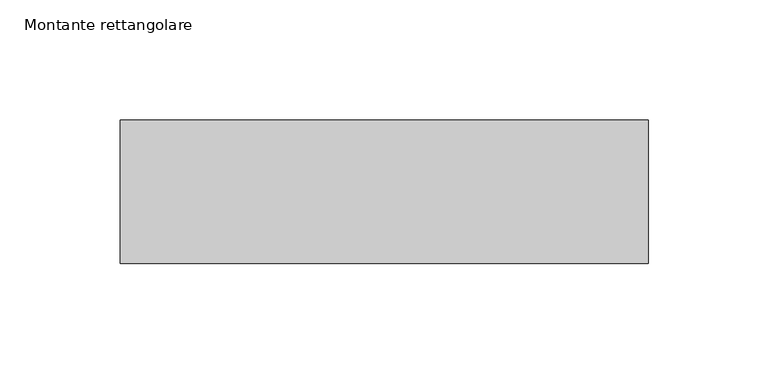
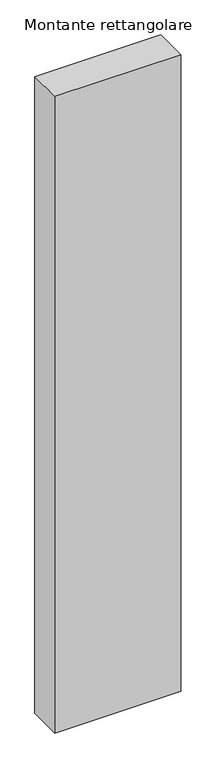
"""IFC4 building model written with IfcOpenShell, lengths in millimetres: member geometry, Montante rettangolare."""

from ifc_helpers import new_model, si_unit, frame, origin, place, context, project, spatial, polyline, outline, extrude, source, transform, mapped, element, save


def montante_rettangolare_472cbb42(model_context):
    return source(origin(), model_context, "Body", "SweptSolid", [
        extrude(outline(polyline([(110.0, 30.0), (110.0, -30.0), (-110.0, -30.0), (-110.0, 30.0), (110.0, 30.0)])), frame((0.0, 0.0, -1174.6203777), z_axis=(0.0, 0.0, 1.0), x_axis=(1.0, 0.0, 0.0)), (0.0, 0.0, 1.0), 1174.6203777),
    ])


if __name__ == "__main__":
    model = new_model("IFC4")
    model_context = context("Model", 3, world=origin())
    ifc_project = project(units=[si_unit("LENGTHUNIT", "METRE", prefix="MILLI")], contexts=[model_context])
    site = spatial("IfcSite", under=ifc_project)
    building = spatial("IfcBuilding", under=site)
    placement = place(None, origin())
    montante_rettangolare_shape = montante_rettangolare_472cbb42(model_context)
    element("IfcMember", 1, ObjectType="Montante rettangolare", at=placement, inside=building, context=model_context, shape_type="MappedRepresentation", body=[
        mapped(montante_rettangolare_shape, transform((0.0, 0.0, 0.0), x_axis=(1.0, 0.0, 0.0), y_axis=(0.0, 1.0, 0.0), z_axis=(0.0, 0.0, 1.0))),
    ])
    save(model, "model.ifc")
